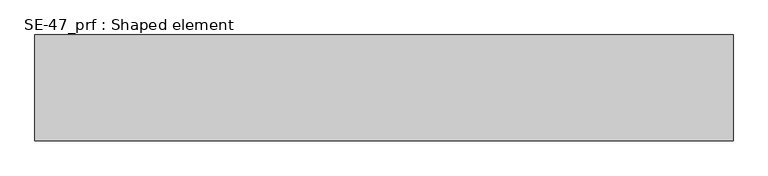
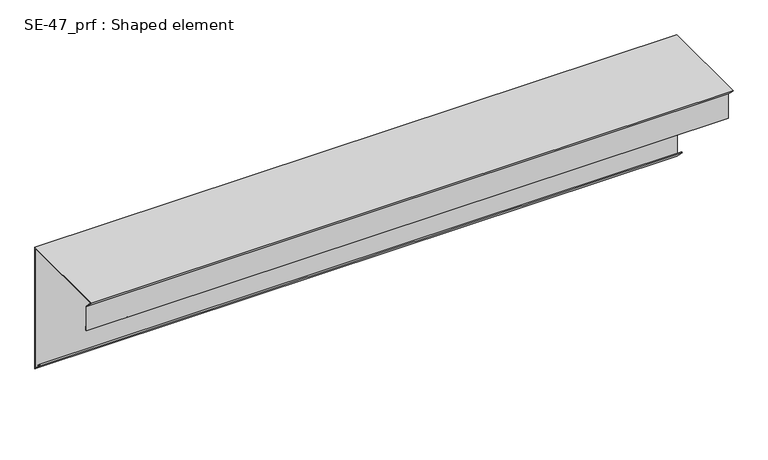
"""IFC4 building model written with IfcOpenShell, lengths in millimetres: proxy geometry, SE-47_prf : Shaped element."""

from ifc_helpers import new_model, si_unit, origin, place, context, project, spatial, faceted_brep, source, transform, mapped, element, save


def se_47_prf_shaped_element_29aef9e3(model_context):
    return source(origin(), model_context, "Body", "Brep", [
        faceted_brep([(0.0, 202.0, 0.0), (0.0, 202.0, -289.5857864), (1500.0, 202.0, -289.5857864), (1500.0, 202.0, 0.0), (1500.0, 202.0, 7.0), (0.0, 202.0, 7.0), (0.0, -22.3847763, 7.0), (1500.0, -22.3847763, 7.0), (0.0, -4.0, -11.3847763), (0.0, -15.3847763, 0.0), (1500.0, -15.3847763, 0.0), (1500.0, -4.0, -11.3847763), (0.0, -4.0, -70.7989899), (1500.0, -4.0, -70.7989899), (0.0, -3.0, -70.7989899), (1500.0, -3.0, -70.7989899), (0.0, -3.0, -61.7989899), (1500.0, -3.0, -61.7989899), (0.0, -2.0, -61.7989899), (1500.0, -2.0, -61.7989899), (0.0, -2.0, -71.7989899), (1500.0, -2.0, -71.7989899), (0.0, -5.0, -71.7989899), (1500.0, -5.0, -71.7989899), (0.0, -5.0, -11.7989899), (1500.0, -5.0, -11.7989899), (0.0, -16.7989899, 0.0), (1500.0, -16.7989899, 0.0), (1500.0, -24.7989899, 8.0), (0.0, -24.7989899, 8.0), (0.0, 203.0, 8.0), (1500.0, 203.0, 8.0), (0.0, 203.0, -292.0), (0.0, 203.0, 0.0), (1500.0, 203.0, 0.0), (1500.0, 203.0, -292.0), (0.0, 181.7867966, -270.7867966), (1500.0, 181.7867966, -270.7867966), (0.0, 183.9081169, -268.6654762), (1500.0, 183.9081169, -268.6654762), (0.0, 190.9791847, -275.736544), (1500.0, 190.9791847, -275.736544), (0.0, 190.2720779, -276.4436508), (1500.0, 190.2720779, -276.4436508), (0.0, 183.9081169, -270.0796898), (1500.0, 183.9081169, -270.0796898), (0.0, 183.2010101, -270.7867966), (1500.0, 183.2010101, -270.7867966)], [[[0, 1, 2, 3, 4, 5]], [[6, 5, 4, 7]], [[8, 9, 6, 7, 10, 11]], [[12, 8, 11, 13]], [[14, 12, 13, 15]], [[16, 14, 15, 17]], [[18, 16, 17, 19]], [[20, 18, 19, 21]], [[22, 20, 21, 23]], [[24, 22, 23, 25]], [[26, 24, 25, 27, 28, 29]], [[30, 29, 28, 31]], [[32, 33, 30, 31, 34, 35]], [[36, 32, 35, 37]], [[38, 36, 37, 39]], [[40, 38, 39, 41]], [[42, 40, 41, 43]], [[44, 42, 43, 45]], [[46, 44, 45, 47]], [[1, 46, 47, 2]], [[26, 9, 8, 12, 14, 16, 18, 20, 22, 24]], [[0, 33, 32, 36, 38, 40, 42, 44, 46, 1]], [[9, 26, 29, 30, 33, 0, 5, 6]], [[10, 27, 25, 23, 21, 19, 17, 15, 13, 11]], [[34, 3, 2, 47, 45, 43, 41, 39, 37, 35]], [[27, 10, 7, 4, 3, 34, 31, 28]]]),
    ])


if __name__ == "__main__":
    model = new_model("IFC4")
    model_context = context("Model", 3, world=origin())
    ifc_project = project(units=[si_unit("LENGTHUNIT", "METRE", prefix="MILLI")], contexts=[model_context])
    site = spatial("IfcSite", under=ifc_project)
    building = spatial("IfcBuilding", under=site)
    placement = place(None, origin())
    se_47_prf_shaped_element_shape = se_47_prf_shaped_element_29aef9e3(model_context)
    element("IfcBuildingElementProxy", 1, Name="SE-47_prf : Shaped element", ObjectType="SE-47_prf : Shaped element", at=placement, inside=building, context=model_context, shape_type="MappedRepresentation", body=[
        mapped(se_47_prf_shaped_element_shape, transform((0.0, 0.0, 0.0), x_axis=(1.0, 0.0, 0.0), y_axis=(0.0, 1.0, 0.0), z_axis=(0.0, 0.0, 1.0))),
    ])
    save(model, "model.ifc")
